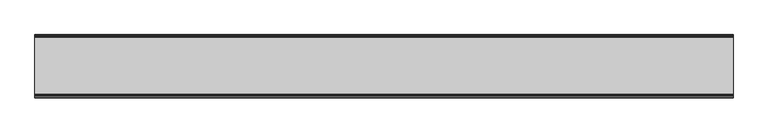
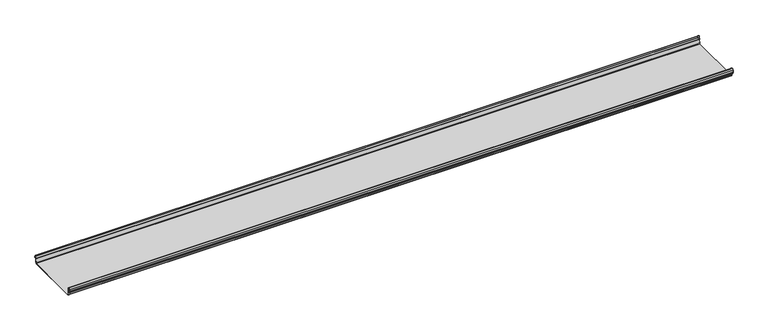
"""IFC4 building model written with IfcOpenShell, lengths in millimetres: beam geometry."""

from ifc_helpers import new_model, si_unit, frame, origin, place, context, project, spatial, polyline, circle_curve, source, transform, mapped, element, save
from ifc_brep_helpers import plane_surface, cylinder_surface, revolved_surface, advanced_brep


def beam_ca07c0a3(model_context):
    return source(origin(), model_context, "Body", "AdvancedBrep", [
        advanced_brep(
        [(1956.3779168, 174.5298471, 17.4730576), (1956.3779168, 169.9958217, 21.2486363), (1956.3779168, 165.4890072, 17.6093124), (1956.3779168, 163.0420077, 6.2503755), (1956.3779168, 164.7006671, 3.7959761), (1956.3779168, 165.8698319, 2.0849359), (1956.3779168, 164.3793103, -21.3247551), (1956.3779168, 160.6848586, -24.7896475), (1956.3779168, -159.5640942, -24.7896475), (1956.3779168, -163.2568715, -21.3207217), (1956.3779168, -164.7263748, 2.1632779), (1956.3779168, -164.0984471, 3.0966958), (1956.3779168, -161.8868093, 6.1624874), (1956.3779168, -162.770348, 17.3389905), (1956.3779168, -170.0, 24.0196704), (1956.3779168, -177.229652, 17.3389905), (1956.3779168, -178.1131907, 6.1624874), (1956.3779168, -175.9015529, 3.0966958), (1956.3779168, -175.2736252, 2.1632779), (1956.3779168, -175.6653397, -4.0966758), (1956.3779168, -174.6633838, -4.0966758), (1956.3779168, -174.255975, 2.4140875), (1956.3779168, -175.661391, 4.0675496), (1956.3779168, -177.1158116, 6.08368), (1956.3779168, -176.2261211, 17.3379999), (1956.3779168, -170.0, 23.0196704), (1956.3779168, -163.767144, 17.2589936), (1956.3779168, -162.8795452, 6.0037927), (1956.3779168, -164.338609, 4.0675496), (1956.3779168, -165.744025, 2.4140875), (1956.3779168, -164.2549195, -21.3831743), (1956.3779168, -159.5640942, -25.7896475), (1956.3779168, 160.6846135, -25.7896475), (1956.3779168, 165.3772895, -21.3882975), (1956.3779168, 166.868024, 2.0247376), (1956.3779168, 164.9644432, 4.7613501), (1956.3779168, 164.0277999, 6.0779003), (1956.3779168, 166.4434849, 17.2822335), (1956.3779168, 170.0063307, 20.2496221), (1956.3779168, 173.4803249, 17.6539317), (1956.3779168, 175.5075757, 6.5459412), (1956.3779168, 176.5074356, 6.7299959), (-1956.3779168, 174.5298471, 17.4730576), (-1956.3779168, 176.5074356, 6.7299959), (-1956.3779168, 175.5075757, 6.5459412), (-1956.3779168, 173.4803249, 17.6539317), (-1956.3779168, 170.0063307, 20.2496221), (-1956.3779168, 166.4434849, 17.2822335), (-1956.3779168, 164.0277999, 6.0779003), (-1956.3779168, 164.9644432, 4.7613501), (-1956.3779168, 166.868024, 2.0247376), (-1956.3779168, 165.3772895, -21.3882975), (-1956.3779168, 160.6846135, -25.7896475), (-1956.3779168, -159.5640942, -25.7896475), (-1956.3779168, -164.2549195, -21.3831743), (-1956.3779168, -165.744025, 2.4140875), (-1956.3779168, -164.338609, 4.0675496), (-1956.3779168, -162.8795452, 6.0037927), (-1956.3779168, -163.767144, 17.2589936), (-1956.3779168, -170.0, 23.0196704), (-1956.3779168, -176.2261211, 17.3379999), (-1956.3779168, -177.1158116, 6.08368), (-1956.3779168, -175.661391, 4.0675496), (-1956.3779168, -174.255975, 2.4140875), (-1956.3779168, -174.6633838, -4.0966758), (-1956.3779168, -175.6653397, -4.0966758), (-1956.3779168, -175.2736252, 2.1632779), (-1956.3779168, -175.9015529, 3.0966958), (-1956.3779168, -178.1066021, 6.2458324), (-1956.3779168, -177.229652, 17.3389905), (-1956.3779168, -170.0, 24.0196704), (-1956.3779168, -162.770348, 17.3389905), (-1956.3779168, -161.8868093, 6.1624874), (-1956.3779168, -164.0984471, 3.0966958), (-1956.3779168, -164.7263748, 2.1632779), (-1956.3779168, -163.2568715, -21.3207217), (-1956.3779168, -159.5640942, -24.7896475), (-1956.3779168, 160.6848586, -24.7896475), (-1956.3779168, 164.3793103, -21.3247551), (-1956.3779168, 165.8698319, 2.0849359), (-1956.3779168, 164.7006671, 3.7959761), (-1956.3779168, 163.0420077, 6.2503755), (-1956.3779168, 165.4890072, 17.6093124), (-1956.3779168, 169.9958217, 21.2486363)],
        [
            (0, 1, circle_curve(frame((1956.3779168, 169.9958217, 16.6384317), z_axis=(1.0, 0.0, 0.0), x_axis=(0.0, 1.0, 0.0)), 4.6102046)),
            (1, 2, circle_curve(frame((1956.3779168, 169.9958217, 16.6384317), z_axis=(1.0, 0.0, 0.0), x_axis=(0.0, 0.2105938444020083, 0.9775736456656259)), 4.6102046)),
            (2, 3),
            (3, 4, circle_curve(frame((1956.3779168, 165.4262002, 6.073937), z_axis=(1.0, 0.0, 0.0), x_axis=(0.0, -0.9528378408797884, 0.30347989881958104)), 2.3907121)),
            (4, 5, circle_curve(frame((1956.3779168, 164.1897695, 2.1919074), z_axis=(-1.0, 0.0, 0.0), x_axis=(0.0, 0.06354246328302078, 0.9979791357337717)), 1.6834645)),
            (5, 6),
            (6, 7, circle_curve(frame((1956.3779168, 160.6867875, -21.089648), z_axis=(-1.0, 0.0, 0.0), x_axis=(0.0, 0.9999998641088232, -0.0005213274739325337)), 3.7)),
            (7, 8),
            (8, 9, circle_curve(frame((1956.3779168, -159.5640942, -21.0896475), z_axis=(-1.0, 0.0, 0.0), x_axis=(0.0, 0.062452508687223206, -0.9980479368039755)), 3.7)),
            (9, 10),
            (10, 11, circle_curve(frame((1956.3779168, -163.8044049, 2.2209698), z_axis=(-1.0, 0.0, 0.0), x_axis=(0.0, -0.9479881328261025, -0.31830567073314897)), 0.9237732)),
            (11, 12, circle_curve(frame((1956.3779168, -164.7984694, 5.9323112), z_axis=(1.0, 0.0, 0.0), x_axis=(0.0, 0.07880737243916666, -0.9968898625471294)), 2.9207441)),
            (12, 13),
            (13, 14, circle_curve(frame((1956.3779168, -170.0, 16.7674631), z_axis=(1.0, 0.0, 0.0), x_axis=(0.0, 1.0, 0.0)), 7.2522073)),
            (14, 15, circle_curve(frame((1956.3779168, -170.0, 16.7674631), z_axis=(1.0, 0.0, 0.0), x_axis=(0.0, 0.07880737243912425, 0.9968898625471327)), 7.2522073)),
            (15, 16),
            (16, 17, circle_curve(frame((1956.3779168, -175.2001089, 5.9344165), z_axis=(1.0, 0.0, 0.0), x_axis=(0.0, -0.9707819351134729, 0.2399634023290655)), 2.9231288)),
            (17, 18, circle_curve(frame((1956.3779168, -176.1025472, 2.2835649), z_axis=(-1.0, 0.0, 0.0), x_axis=(0.0, 0.14360843272178178, 0.9896345881441257)), 0.8376041)),
            (18, 19),
            (19, 20, circle_curve(frame((1956.3779168, -175.1643617, -4.0966758), z_axis=(1.0, 0.0, 0.0), x_axis=(0.0, 0.0, -1.0)), 0.5009779)),
            (20, 21),
            (21, 22, circle_curve(frame((1956.3779168, -176.1062911, 2.2653702), z_axis=(1.0, 0.0, 0.0), x_axis=(0.0, 0.9708537722163966, -0.23967259537375799)), 1.856283)),
            (22, 23, circle_curve(frame((1956.3779168, -175.2010412, 5.9323112), z_axis=(-1.0, 0.0, 0.0), x_axis=(0.0, -0.07880737243914376, -0.9968898625471312)), 1.9207441)),
            (23, 24),
            (24, 25, circle_curve(frame((1956.3779168, -170.0770494, 16.8518958), z_axis=(-1.0, 0.0, 0.0), x_axis=(0.0, -0.9999219808421378, 0.012491286112139365)), 6.1682558)),
            (25, 26, circle_curve(frame((1956.3779168, -170.0791743, 16.6817991), z_axis=(-1.0, 0.0, 0.0), x_axis=(0.0, -0.09106361391821856, 0.9958450774192508)), 6.3383658)),
            (26, 27),
            (27, 28, circle_curve(frame((1956.3779168, -164.70299, 5.8599936), z_axis=(-1.0, 0.0, 0.0), x_axis=(0.0, 0.9799562955839813, 0.19921259685401593)), 1.8291061)),
            (28, 29, circle_curve(frame((1956.3779168, -163.9886548, 2.3460727), z_axis=(1.0, 0.0, 0.0), x_axis=(0.0, 0.03871763325448635, 0.9992501913310655)), 1.7566874)),
            (29, 30),
            (30, 31, circle_curve(frame((1956.3779168, -159.5640942, -21.0896475), z_axis=(1.0, 0.0, 0.0), x_axis=(0.0, -1.0, 0.0)), 4.7)),
            (31, 32),
            (32, 33, circle_curve(frame((1956.3779168, 160.6846135, -21.0873301), z_axis=(1.0, 0.0, 0.0), x_axis=(0.0, -0.06400407594283139, -0.997949637137418)), 4.7023174)),
            (33, 34),
            (34, 35, circle_curve(frame((1956.3779168, 164.1939121, 2.1950013), z_axis=(1.0, 0.0, 0.0), x_axis=(0.0, 0.9577619201002135, -0.2875623487279797)), 2.6795268)),
            (35, 36, circle_curve(frame((1956.3779168, 165.0972859, 5.8473161), z_axis=(-1.0, 0.0, 0.0), x_axis=(0.0, -0.210759855052358, -0.9775378680635902)), 1.094061)),
            (36, 37),
            (37, 38, circle_curve(frame((1956.3779168, 170.0063307, 16.627032), z_axis=(-1.0, 0.0, 0.0), x_axis=(0.0, -1.0, 0.0)), 3.6225901)),
            (38, 39, circle_curve(frame((1956.3779168, 170.0063307, 16.627032), z_axis=(-1.0, 0.0, 0.0), x_axis=(0.0, -0.2834711363957483, 0.9589807687490417)), 3.6225901)),
            (39, 40),
            (40, 41, circle_curve(frame((1956.3779168, 176.0075057, 6.6379685), z_axis=(1.0, 0.0, 0.0), x_axis=(0.0, 0.18103878268247353, -0.9834759575937014)), 0.5083296)),
            (41, 0),
            (42, 43),
            (43, 44, circle_curve(frame((-1956.3779168, 176.0075057, 6.6379685), z_axis=(-1.0, 0.0, 0.0), x_axis=(0.0, 0.18103878268247353, -0.9834759575937014)), 0.5083296)),
            (44, 45),
            (45, 46, circle_curve(frame((-1956.3779168, 170.0063307, 16.627032), z_axis=(1.0, 0.0, 0.0), x_axis=(0.0, -0.2834711363957483, 0.9589807687490417)), 3.6225901)),
            (46, 47, circle_curve(frame((-1956.3779168, 170.0063307, 16.627032), z_axis=(1.0, 0.0, 0.0), x_axis=(0.0, -1.0, 0.0)), 3.6225901)),
            (47, 48),
            (48, 49, circle_curve(frame((-1956.3779168, 165.0972859, 5.8473161), z_axis=(1.0, 0.0, 0.0), x_axis=(0.0, -0.210759855052358, -0.9775378680635902)), 1.094061)),
            (49, 50, circle_curve(frame((-1956.3779168, 164.1939121, 2.1950013), z_axis=(-1.0, 0.0, 0.0), x_axis=(0.0, 0.9577619201002135, -0.2875623487279797)), 2.6795268)),
            (50, 51),
            (51, 52, circle_curve(frame((-1956.3779168, 160.6846135, -21.0873301), z_axis=(-1.0, 0.0, 0.0), x_axis=(0.0, -0.06400407594283139, -0.997949637137418)), 4.7023174)),
            (52, 53),
            (53, 54, circle_curve(frame((-1956.3779168, -159.5640942, -21.0896475), z_axis=(-1.0, 0.0, 0.0), x_axis=(0.0, -1.0, 0.0)), 4.7)),
            (54, 55),
            (55, 56, circle_curve(frame((-1956.3779168, -163.9886548, 2.3460727), z_axis=(-1.0, 0.0, 0.0), x_axis=(0.0, 0.03871763325448635, 0.9992501913310655)), 1.7566874)),
            (56, 57, circle_curve(frame((-1956.3779168, -164.70299, 5.8599936), z_axis=(1.0, 0.0, 0.0), x_axis=(0.0, 0.9799562955839813, 0.19921259685401593)), 1.8291061)),
            (57, 58),
            (58, 59, circle_curve(frame((-1956.3779168, -170.0791743, 16.6817991), z_axis=(1.0, 0.0, 0.0), x_axis=(0.0, -0.09106361391821856, 0.9958450774192508)), 6.3383658)),
            (59, 60, circle_curve(frame((-1956.3779168, -170.0770494, 16.8518958), z_axis=(1.0, 0.0, 0.0), x_axis=(0.0, -0.9999219808421378, 0.012491286112139365)), 6.1682558)),
            (60, 61),
            (61, 62, circle_curve(frame((-1956.3779168, -175.2010412, 5.9323112), z_axis=(1.0, 0.0, 0.0), x_axis=(0.0, -0.07880737243914376, -0.9968898625471312)), 1.9207441)),
            (62, 63, circle_curve(frame((-1956.3779168, -176.1062911, 2.2653702), z_axis=(-1.0, 0.0, 0.0), x_axis=(0.0, 0.9708537722163966, -0.23967259537375799)), 1.856283)),
            (63, 64),
            (64, 65, circle_curve(frame((-1956.3779168, -175.1643617, -4.0966758), z_axis=(-1.0, 0.0, 0.0), x_axis=(0.0, 0.0, -1.0)), 0.5009779)),
            (65, 66),
            (66, 67, circle_curve(frame((-1956.3779168, -176.1025472, 2.2835649), z_axis=(1.0, 0.0, 0.0), x_axis=(0.0, 0.14360843272178178, 0.9896345881441257)), 0.8376041)),
            (67, 68, circle_curve(frame((-1956.3779168, -175.2001089, 5.9344165), z_axis=(-1.0, 0.0, 0.0), x_axis=(0.0, -0.9707819351134729, 0.2399634023290655)), 2.9231288)),
            (68, 69),
            (69, 70, circle_curve(frame((-1956.3779168, -170.0, 16.7674631), z_axis=(-1.0, 0.0, 0.0), x_axis=(0.0, 0.07880737243912425, 0.9968898625471327)), 7.2522073)),
            (70, 71, circle_curve(frame((-1956.3779168, -170.0, 16.7674631), z_axis=(-1.0, 0.0, 0.0), x_axis=(0.0, 1.0, 0.0)), 7.2522073)),
            (71, 72),
            (72, 73, circle_curve(frame((-1956.3779168, -164.7984694, 5.9323112), z_axis=(-1.0, 0.0, 0.0), x_axis=(0.0, 0.07880737243916666, -0.9968898625471294)), 2.9207441)),
            (73, 74, circle_curve(frame((-1956.3779168, -163.8044049, 2.2209698), z_axis=(1.0, 0.0, 0.0), x_axis=(0.0, -0.9479881328261025, -0.31830567073314897)), 0.9237732)),
            (74, 75),
            (75, 76, circle_curve(frame((-1956.3779168, -159.5640942, -21.0896475), z_axis=(1.0, 0.0, 0.0), x_axis=(0.0, 0.062452508687223206, -0.9980479368039755)), 3.7)),
            (76, 77),
            (77, 78, circle_curve(frame((-1956.3779168, 160.6867875, -21.089648), z_axis=(1.0, 0.0, 0.0), x_axis=(0.0, 0.9999998641088232, -0.0005213274739325337)), 3.7)),
            (78, 79),
            (79, 80, circle_curve(frame((-1956.3779168, 164.1897695, 2.1919074), z_axis=(1.0, 0.0, 0.0), x_axis=(0.0, 0.06354246328302078, 0.9979791357337717)), 1.6834645)),
            (80, 81, circle_curve(frame((-1956.3779168, 165.4262002, 6.073937), z_axis=(-1.0, 0.0, 0.0), x_axis=(0.0, -0.9528378408797884, 0.30347989881958104)), 2.3907121)),
            (81, 82),
            (82, 83, circle_curve(frame((-1956.3779168, 169.9958217, 16.6384317), z_axis=(-1.0, 0.0, 0.0), x_axis=(0.0, 0.2105938444020083, 0.9775736456656259)), 4.6102046)),
            (83, 42, circle_curve(frame((-1956.3779168, 169.9958217, 16.6384317), z_axis=(-1.0, 0.0, 0.0), x_axis=(0.0, 1.0, 0.0)), 4.6102046)),
            (42, 0),
            (41, 43),
            (40, 44),
            (39, 45),
            (38, 46),
            (37, 47),
            (36, 48),
            (35, 49),
            (34, 50),
            (33, 51),
            (32, 52),
            (31, 53),
            (30, 54),
            (29, 55),
            (28, 56),
            (27, 57),
            (26, 58),
            (25, 59),
            (24, 60),
            (23, 61),
            (22, 62),
            (21, 63),
            (20, 64),
            (19, 65),
            (18, 66),
            (17, 67),
            (16, 68),
            (15, 69),
            (14, 70),
            (13, 71),
            (12, 72),
            (11, 73),
            (10, 74),
            (9, 75),
            (8, 76),
            (7, 77),
            (6, 78),
            (5, 79),
            (4, 80),
            (3, 81),
            (2, 82),
            (1, 83),
        ],
        [
            plane_surface(frame((1956.3779168, 176.5074356, 6.7299959), z_axis=(1.0000000000000002, 0.0, 0.0), x_axis=(0.0, -0.18103878268248824, 0.9834759575936989))),
            plane_surface(frame((-1956.3779168, 176.5074356, 6.7299959), z_axis=(-1.0000000000000002, 0.0, 0.0), x_axis=(0.0, 0.18103878268248824, -0.9834759575936989))),
            plane_surface(frame((1956.3779168, 175.5186413, 12.1015267), z_axis=(0.0, 0.9834759575937931, 0.18103878268197598), x_axis=(0.0, 0.18103878268197598, -0.9834759575937931))),
            cylinder_surface(frame((1956.3779168, 176.0075057, 6.6379685), z_axis=(-1.0, 0.0, 0.0), x_axis=(0.0, 0.18103878268247353, -0.9834759575937014)), 0.5083296),
            plane_surface(frame((1956.3779168, 174.4939503, 12.0999365), z_axis=(0.0, -0.9837509798366516, -0.17953832368168063), x_axis=(0.0, -0.17953832368168063, 0.9837509798366516))),
            revolved_surface(polyline([(-1956.3779168, 168.979430967657, 20.101026238960667), (1956.3779168, 168.979430967657, 20.101026238960667)]), (1956.3779168, 170.0063307, 16.627032), (-1.0, 0.0, 0.0)),
            revolved_surface(polyline([(-1956.3779168, 166.3837406, 16.627032), (1956.3779168, 166.3837406, 16.627032)]), (1956.3779168, 170.0063307, 16.627032), (-1.0, 0.0, 0.0)),
            plane_surface(frame((1956.3779168, 165.2356424, 11.6800669), z_axis=(0.0, 0.9775378680634891, -0.2107598550528272), x_axis=(0.0, -0.2107598550528272, -0.9775378680634891))),
            revolved_surface(polyline([(-1956.3779168, 164.86670176222157, 4.77783004252848), (1956.3779168, 164.86670176222157, 4.77783004252848)]), (1956.3779168, 165.0972859, 5.8473161), (-1.0, 0.0, 0.0)),
            cylinder_surface(frame((1956.3779168, 164.1939121, 2.1950013), z_axis=(-1.0, 0.0, 0.0), x_axis=(0.0, 0.9577619201002135, -0.2875623487279797)), 2.6795268),
            plane_surface(frame((1956.3779168, 166.1226567, -9.68178), z_axis=(0.0, 0.9979791357337514, -0.06354246328334037), x_axis=(0.0, -0.06354246328334037, -0.9979791357337514))),
            cylinder_surface(frame((1956.3779168, 160.6846135, -21.0873301), z_axis=(-1.0, 0.0, 0.0), x_axis=(0.0, -0.06400407594283139, -0.997949637137418)), 4.7023174),
            plane_surface(frame((1956.3779168, 0.5602597, -25.7896475), z_axis=(0.0, 0.0, -1.0), x_axis=(0.0, -1.0, 0.0))),
            cylinder_surface(frame((1956.3779168, -159.5640942, -21.0896475), z_axis=(-1.0, 0.0, 0.0), x_axis=(0.0, -1.0, 0.0)), 4.7),
            plane_surface(frame((1956.3779168, -164.9994722, -9.4845434), z_axis=(0.0, -0.99804793680396, -0.06245250868747398), x_axis=(0.0, -0.06245250868747398, 0.99804793680396))),
            cylinder_surface(frame((1956.3779168, -163.9886548, 2.3460727), z_axis=(-1.0, 0.0, 0.0), x_axis=(0.0, 0.03871763325448635, 0.9992501913310655)), 1.7566874),
            revolved_surface(polyline([(-1956.3779168, -162.91054596201394, 6.224374576102521), (1956.3779168, -162.91054596201394, 6.224374576102521)]), (1956.3779168, -164.70299, 5.8599936), (-1.0, 0.0, 0.0)),
            plane_surface(frame((1956.3779168, -163.3233446, 11.6313931), z_axis=(0.0, -0.9969048840807634, -0.07861712342689589), x_axis=(0.0, -0.07861712342689589, 0.9969048840807634))),
            revolved_surface(polyline([(-1956.3779168, -170.65636879608365, 22.99382948081253), (1956.3779168, -170.65636879608365, 22.99382948081253)]), (1956.3779168, -170.0791743, 16.6817991), (-1.0, 0.0, 0.0)),
            revolved_surface(polyline([(-1956.3779168, -176.244823957877, 16.928945248010663), (1956.3779168, -176.244823957877, 16.928945248010663)]), (1956.3779168, -170.0770494, 16.8518958), (-1.0, 0.0, 0.0)),
            plane_surface(frame((1956.3779168, -176.6709664, 11.71084), z_axis=(0.0, 0.9968898625470921, -0.07880737243963815), x_axis=(0.0, -0.07880737243963815, -0.9968898625470921))),
            revolved_surface(polyline([(-1956.3779168, -175.35240999564897, 4.017540878162787), (1956.3779168, -175.35240999564897, 4.017540878162787)]), (1956.3779168, -175.2010412, 5.9323112), (-1.0, 0.0, 0.0)),
            cylinder_surface(frame((1956.3779168, -176.1062911, 2.2653702), z_axis=(-1.0, 0.0, 0.0), x_axis=(0.0, 0.9708537722163966, -0.23967259537375799)), 1.856283),
            plane_surface(frame((1956.3779168, -174.4596794, -0.8412941), z_axis=(0.0, 0.9980479368039222, -0.06245250868807452), x_axis=(0.0, -0.06245250868807452, -0.9980479368039222))),
            cylinder_surface(frame((1956.3779168, -175.1643617, -4.0966758), z_axis=(-1.0, 0.0, 0.0), x_axis=(0.0, 0.0, -1.0)), 0.5009779),
            plane_surface(frame((1956.3779168, -175.4694824, -0.9666989), z_axis=(0.0, -0.9980479368040358, 0.06245250868626084), x_axis=(0.0, 0.06245250868626084, 0.9980479368040358))),
            revolved_surface(polyline([(-1956.3779168, -175.98226018795768, 3.112486888531331), (1956.3779168, -175.98226018795768, 3.112486888531331)]), (1956.3779168, -176.1025472, 2.2835649), (-1.0, 0.0, 0.0)),
            cylinder_surface(frame((1956.3779168, -175.2001089, 5.9344165), z_axis=(-1.0, 0.0, 0.0), x_axis=(0.0, -0.9707819351134729, 0.2399634023290655)), 2.9231288),
            plane_surface(frame((1956.3779168, -177.6714214, 11.7507389), z_axis=(0.0, -0.9968898625471735, 0.07880737243860966), x_axis=(0.0, 0.07880737243860966, 0.9968898625471735))),
            cylinder_surface(frame((1956.3779168, -170.0, 16.7674631), z_axis=(-1.0, 0.0, 0.0), x_axis=(0.0, 0.07880737243912425, 0.9968898625471327)), 7.2522073),
            cylinder_surface(frame((1956.3779168, -170.0, 16.7674631), z_axis=(-1.0, 0.0, 0.0), x_axis=(0.0, 1.0, 0.0)), 7.2522073),
            plane_surface(frame((1956.3779168, -162.3285786, 11.7507389), z_axis=(0.0, 0.9968898625471712, 0.07880737243863836), x_axis=(0.0, 0.07880737243863836, -0.9968898625471712))),
            cylinder_surface(frame((1956.3779168, -164.7984694, 5.9323112), z_axis=(-1.0, 0.0, 0.0), x_axis=(0.0, 0.07880737243916666, -0.9968898625471294)), 2.9207441),
            revolved_surface(polyline([(-1956.3779168, -164.6801309310228, 1.9269275519686928), (1956.3779168, -164.6801309310228, 1.9269275519686928)]), (1956.3779168, -163.8044049, 2.2209698), (-1.0, 0.0, 0.0)),
            plane_surface(frame((1956.3779168, -163.9916232, -9.5787219), z_axis=(0.0, 0.9980479368039906, 0.0624525086869835), x_axis=(0.0, 0.0624525086869835, -0.9980479368039906))),
            revolved_surface(polyline([(-1956.3779168, -159.33301991785729, -24.78242486617471), (1956.3779168, -159.33301991785729, -24.78242486617471)]), (1956.3779168, -159.5640942, -21.0896475), (-1.0, 0.0, 0.0)),
            plane_surface(frame((1956.3779168, 0.5603822, -24.7896475), z_axis=(0.0, 0.0, 1.0), x_axis=(0.0, 1.0, 0.0))),
            revolved_surface(polyline([(-1956.3779168, 164.38678699720265, -21.09157691165355), (1956.3779168, 164.38678699720265, -21.09157691165355)]), (1956.3779168, 160.6867875, -21.089648), (-1.0, 0.0, 0.0)),
            plane_surface(frame((1956.3779168, 165.1245711, -9.6199096), z_axis=(0.0, -0.9979791357337828, 0.06354246328284598), x_axis=(0.0, 0.06354246328284598, 0.9979791357337828))),
            revolved_surface(polyline([(-1956.3779168, 164.29674098117954, 3.871969846748486), (1956.3779168, 164.29674098117954, 3.871969846748486)]), (1956.3779168, 164.1897695, 2.1919074), (-1.0, 0.0, 0.0)),
            cylinder_surface(frame((1956.3779168, 165.4262002, 6.073937), z_axis=(-1.0, 0.0, 0.0), x_axis=(0.0, -0.9528378408797884, 0.30347989881958104)), 2.3907121),
            plane_surface(frame((1956.3779168, 164.2655075, 11.929844), z_axis=(0.0, -0.9775736456657296, 0.21059384440152715), x_axis=(0.0, 0.21059384440152715, 0.9775736456657296))),
            cylinder_surface(frame((1956.3779168, 169.9958217, 16.6384317), z_axis=(-1.0, 0.0, 0.0), x_axis=(0.0, 0.2105938444020083, 0.9775736456656259)), 4.6102046),
            cylinder_surface(frame((1956.3779168, 169.9958217, 16.6384317), z_axis=(-1.0, 0.0, 0.0), x_axis=(0.0, 1.0, 0.0)), 4.6102046),
        ],
        [
            (0, [[1, 2, 3, 4, 5, 6, 7, 8, 9, 10, 11, 12, 13, 14, 15, 16, 17, 18, 19, 20, 21, 22, 23, 24, 25, 26, 27, 28, 29, 30, 31, 32, 33, 34, 35, 36, 37, 38, 39, 40, 41, 42]]),
            (1, [[43, 44, 45, 46, 47, 48, 49, 50, 51, 52, 53, 54, 55, 56, 57, 58, 59, 60, 61, 62, 63, 64, 65, 66, 67, 68, 69, 70, 71, 72, 73, 74, 75, 76, 77, 78, 79, 80, 81, 82, 83, 84]]),
            (2, [[-43, 85, -42, 86]]),
            (3, [[-44, -86, -41, 87]]),
            (4, [[-45, -87, -40, 88]]),
            (5, [[-46, -88, -39, 89]]),
            (6, [[-47, -89, -38, 90]]),
            (7, [[-48, -90, -37, 91]]),
            (8, [[-49, -91, -36, 92]]),
            (9, [[-50, -92, -35, 93]]),
            (10, [[-51, -93, -34, 94]]),
            (11, [[-52, -94, -33, 95]]),
            (12, [[-53, -95, -32, 96]]),
            (13, [[-54, -96, -31, 97]]),
            (14, [[-55, -97, -30, 98]]),
            (15, [[-56, -98, -29, 99]]),
            (16, [[-57, -99, -28, 100]]),
            (17, [[-58, -100, -27, 101]]),
            (18, [[-59, -101, -26, 102]]),
            (19, [[-60, -102, -25, 103]]),
            (20, [[-61, -103, -24, 104]]),
            (21, [[-62, -104, -23, 105]]),
            (22, [[-63, -105, -22, 106]]),
            (23, [[-64, -106, -21, 107]]),
            (24, [[-65, -107, -20, 108]]),
            (25, [[-66, -108, -19, 109]]),
            (26, [[-67, -109, -18, 110]]),
            (27, [[-68, -110, -17, 111]]),
            (28, [[-69, -111, -16, 112]]),
            (29, [[-70, -112, -15, 113]]),
            (30, [[-71, -113, -14, 114]]),
            (31, [[-72, -114, -13, 115]]),
            (32, [[-73, -115, -12, 116]]),
            (33, [[-74, -116, -11, 117]]),
            (34, [[-75, -117, -10, 118]]),
            (35, [[-76, -118, -9, 119]]),
            (36, [[-77, -119, -8, 120]]),
            (37, [[-78, -120, -7, 121]]),
            (38, [[-79, -121, -6, 122]]),
            (39, [[-80, -122, -5, 123]]),
            (40, [[-81, -123, -4, 124]]),
            (41, [[-82, -124, -3, 125]]),
            (42, [[-83, -125, -2, 126]]),
            (43, [[-84, -126, -1, -85]]),
        ],
    ),
    ])


if __name__ == "__main__":
    model = new_model("IFC4")
    model_context = context("Model", 3, world=origin())
    ifc_project = project(units=[si_unit("LENGTHUNIT", "METRE", prefix="MILLI")], contexts=[model_context])
    site = spatial("IfcSite", under=ifc_project)
    building = spatial("IfcBuilding", under=site)
    placement = place(None, origin())
    beam_shape = beam_ca07c0a3(model_context)
    element("IfcBeam", 1, at=placement, inside=building, context=model_context, shape_type="MappedRepresentation", body=[
        mapped(beam_shape, transform((0.0, 0.0, 0.0), x_axis=(1.0, 0.0, 0.0), y_axis=(0.0, 1.0, 0.0), z_axis=(0.0, 0.0, 1.0))),
    ])
    save(model, "model.ifc")
